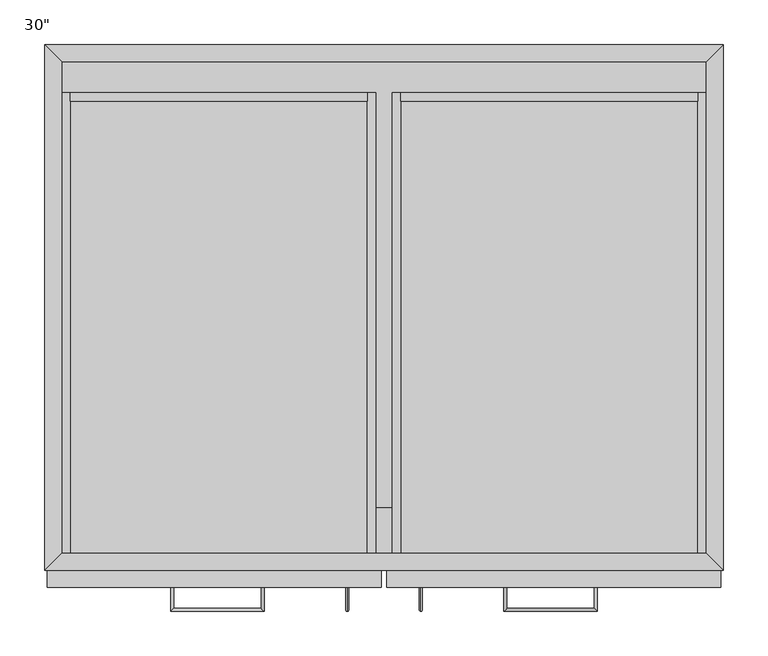
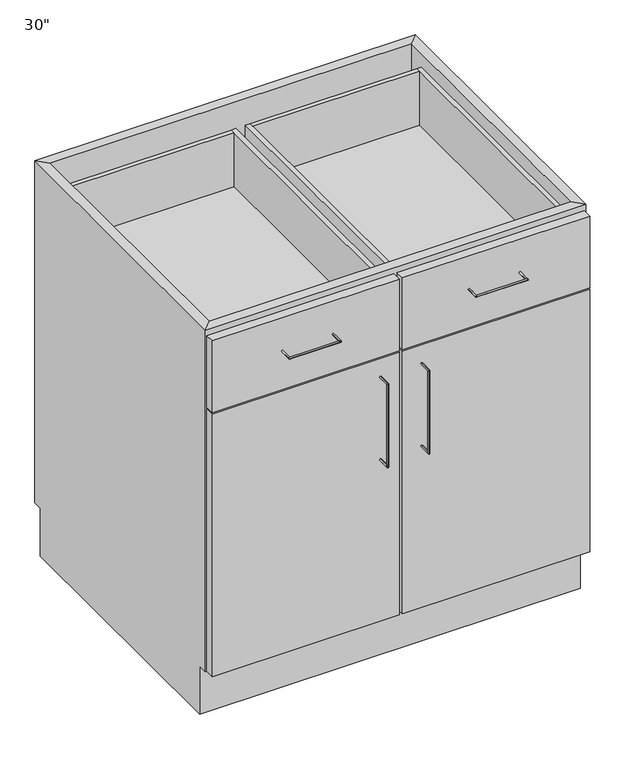
"""IFC4 building model written with IfcOpenShell, lengths in millimetres: furniture geometry."""

from ifc_helpers import new_model, si_unit, frame, origin, place, context, project, spatial, polyline, circle_curve, ellipse_curve, outline, extrude, faceted_brep, source, transform, mapped, element, save
from ifc_brep_helpers import plane_surface, cylinder_surface, advanced_brep


def furniture_37b471c9(model_context):
    return source(origin(), model_context, "Body", "SolidModel", [
        extrude(outline(polyline([(-343.2122951, -520.7), (380.6877049, -520.7), (380.6877049, -571.5), (-343.2122951, -571.5), (-343.2122951, -520.7)])), frame((0.0, 0.0, 654.05), z_axis=(0.0, 0.0, 1.0), x_axis=(1.0, 0.0, 0.0)), (0.0, 0.0, 1.0), 19.05),
        extrude(outline(polyline([(380.6877049, -19.05), (380.6877049, -571.5), (-343.2122951, -571.5), (-343.2122951, -19.05), (380.6877049, -19.05)])), frame((0.0, 0.0, 101.6), z_axis=(0.0, 0.0, 1.0), x_axis=(1.0, 0.0, 0.0)), (0.0, 0.0, 1.0), 19.05),
        extrude(outline(polyline([(15.5627049, -609.6), (-359.0872951, -609.6), (-359.0872951, -590.55), (15.5627049, -590.55), (15.5627049, -609.6)])), frame((0.0, 0.0, 660.4), z_axis=(0.0, 0.0, 1.0), x_axis=(1.0, 0.0, 0.0)), (0.0, 0.0, 1.0), 152.4),
        extrude(outline(polyline([(396.5627049, -609.6), (21.9127049, -609.6), (21.9127049, -590.55), (396.5627049, -590.55), (396.5627049, -609.6)])), frame((0.0, 0.0, 660.4), z_axis=(0.0, 0.0, 1.0), x_axis=(1.0, 0.0, 0.0)), (0.0, 0.0, 1.0), 152.4),
        extrude(outline(polyline([(15.5627049, -609.6), (-359.0872951, -609.6), (-359.0872951, -590.55), (15.5627049, -590.55), (15.5627049, -609.6)])), frame((0.0, 0.0, 101.6), z_axis=(0.0, 0.0, 1.0), x_axis=(1.0, 0.0, 0.0)), (0.0, 0.0, 1.0), 555.625),
        extrude(outline(polyline([(396.5627049, -609.6), (21.9127049, -609.6), (21.9127049, -590.55), (396.5627049, -590.55), (396.5627049, -609.6)])), frame((0.0, 0.0, 101.6), z_axis=(0.0, 0.0, 1.0), x_axis=(1.0, 0.0, 0.0)), (0.0, 0.0, 1.0), 555.625),
        advanced_brep(
        [(-118.9787451, -609.6, 742.7699324), (-115.8037451, -609.6, 742.7699324), (-118.9787451, -633.4125, 742.7699324), (-115.8037451, -636.5875, 742.7699324), (-217.4037451, -633.4125, 742.7699324), (-220.5787451, -636.5875, 742.7699324), (-217.4037451, -609.6, 742.7699324), (-220.5787451, -609.6, 742.7699324)],
        [
            (0, 1, circle_curve(frame((-117.3912451, -609.6, 742.7699324), z_axis=(0.0, 1.0, 0.0), x_axis=(1.0, 0.0, 0.0)), 1.5875)),
            (1, 0, circle_curve(frame((-117.3912451, -609.6, 742.7699324), z_axis=(0.0, 1.0, 0.0), x_axis=(1.0, 0.0, 0.0)), 1.5875)),
            (0, 2),
            (2, 3, ellipse_curve(frame((-117.3912451, -635.0, 742.7699324), z_axis=(0.7071067811865475, 0.7071067811865475, 0.0), x_axis=(-0.7071067811865474, 0.7071067811865476, 0.0)), 2.245064, 1.5875)),
            (3, 1),
            (3, 2, ellipse_curve(frame((-117.3912451, -635.0, 742.7699324), z_axis=(0.7071067811865475, 0.7071067811865475, 0.0), x_axis=(-0.7071067811865474, 0.7071067811865476, 0.0)), 2.245064, 1.5875)),
            (2, 4),
            (4, 5, ellipse_curve(frame((-218.9912451, -635.0, 742.7699324), z_axis=(0.7071067811865475, -0.7071067811865475, 0.0), x_axis=(0.7071067811865476, 0.7071067811865474, 0.0)), 2.245064, 1.5875)),
            (5, 3),
            (5, 4, ellipse_curve(frame((-218.9912451, -635.0, 742.7699324), z_axis=(0.7071067811865475, -0.7071067811865475, 0.0), x_axis=(0.7071067811865476, 0.7071067811865474, 0.0)), 2.245064, 1.5875)),
            (6, 7, circle_curve(frame((-218.9912451, -609.6, 742.7699324), z_axis=(0.0, 1.0, 0.0), x_axis=(-1.0, 0.0, 0.0)), 1.5875)),
            (7, 6, circle_curve(frame((-218.9912451, -609.6, 742.7699324), z_axis=(0.0, 1.0, 0.0), x_axis=(-1.0, 0.0, 0.0)), 1.5875)),
            (4, 6),
            (7, 5),
        ],
        [
            plane_surface(frame((-117.3912451, -609.6, 742.7699324), z_axis=(0.0, 1.0, 0.0), x_axis=(0.0, 0.0, 1.0))),
            cylinder_surface(frame((-117.3912451, -609.6, 742.7699324), z_axis=(0.0, 1.0, 0.0), x_axis=(1.0, 0.0, 0.0)), 1.5875),
            cylinder_surface(frame((-117.3912451, -635.0, 742.7699324), z_axis=(1.0, 0.0, 0.0), x_axis=(0.0, -1.0, 0.0)), 1.5875),
            plane_surface(frame((-218.9912451, -609.6, 742.7699324), z_axis=(0.0, 1.0, 0.0), x_axis=(0.0, 0.0, 1.0))),
            cylinder_surface(frame((-218.9912451, -635.0, 742.7699324), z_axis=(0.0, -1.0, 0.0), x_axis=(-1.0, 0.0, 0.0)), 1.5875),
        ],
        [
            (0, [[1, 2]]),
            (1, [[-1, 3, 4, 5]]),
            (1, [[-2, -5, 6, -3]]),
            (2, [[-4, 7, 8, 9]]),
            (2, [[-6, -9, 10, -7]]),
            (3, [[11, 12]]),
            (4, [[-8, 13, -12, 14]]),
            (4, [[-10, -14, -11, -13]]),
        ],
    ),
        advanced_brep(
        [(153.2791549, -609.6, 742.7699324), (156.4541549, -609.6, 742.7699324), (153.2791549, -636.5875, 742.7699324), (156.4541549, -633.4125, 742.7699324), (258.0541549, -636.5875, 742.7699324), (254.8791549, -633.4125, 742.7699324), (258.0541549, -609.6, 742.7699324), (254.8791549, -609.6, 742.7699324)],
        [
            (0, 1, circle_curve(frame((154.8666549, -609.6, 742.7699324), z_axis=(0.0, 1.0, 0.0), x_axis=(1.0, 0.0, 0.0)), 1.5875)),
            (1, 0, circle_curve(frame((154.8666549, -609.6, 742.7699324), z_axis=(0.0, 1.0, 0.0), x_axis=(1.0, 0.0, 0.0)), 1.5875)),
            (0, 2),
            (2, 3, ellipse_curve(frame((154.8666549, -635.0, 742.7699324), z_axis=(-0.7071067811865475, 0.7071067811865475, 0.0), x_axis=(0.7071067811865474, 0.7071067811865476, 0.0)), 2.245064, 1.5875)),
            (3, 1),
            (3, 2, ellipse_curve(frame((154.8666549, -635.0, 742.7699324), z_axis=(-0.7071067811865475, 0.7071067811865475, 0.0), x_axis=(0.7071067811865474, 0.7071067811865476, 0.0)), 2.245064, 1.5875)),
            (2, 4),
            (4, 5, ellipse_curve(frame((256.4666549, -635.0, 742.7699324), z_axis=(-0.7071067811865475, -0.7071067811865475, 0.0), x_axis=(-0.7071067811865476, 0.7071067811865474, 0.0)), 2.245064, 1.5875)),
            (5, 3),
            (5, 4, ellipse_curve(frame((256.4666549, -635.0, 742.7699324), z_axis=(-0.7071067811865475, -0.7071067811865475, 0.0), x_axis=(-0.7071067811865476, 0.7071067811865474, 0.0)), 2.245064, 1.5875)),
            (6, 7, circle_curve(frame((256.4666549, -609.6, 742.7699324), z_axis=(0.0, 1.0, 0.0), x_axis=(-1.0, 0.0, 0.0)), 1.5875)),
            (7, 6, circle_curve(frame((256.4666549, -609.6, 742.7699324), z_axis=(0.0, 1.0, 0.0), x_axis=(-1.0, 0.0, 0.0)), 1.5875)),
            (4, 6),
            (7, 5),
        ],
        [
            plane_surface(frame((154.8666549, -609.6, 742.7699324), z_axis=(0.0, 1.0, 0.0), x_axis=(0.0, 0.0, 1.0))),
            cylinder_surface(frame((154.8666549, -609.6, 742.7699324), z_axis=(0.0, 1.0, 0.0), x_axis=(1.0, 0.0, 0.0)), 1.5875),
            cylinder_surface(frame((154.8666549, -635.0, 742.7699324), z_axis=(-1.0, 0.0, 0.0), x_axis=(0.0, 1.0, 0.0)), 1.5875),
            plane_surface(frame((256.4666549, -609.6, 742.7699324), z_axis=(0.0, 1.0, 0.0), x_axis=(0.0, 0.0, 1.0))),
            cylinder_surface(frame((256.4666549, -635.0, 742.7699324), z_axis=(0.0, -1.0, 0.0), x_axis=(-1.0, 0.0, 0.0)), 1.5875),
        ],
        [
            (0, [[1, 2]]),
            (1, [[-1, 3, 4, 5]]),
            (1, [[-2, -5, 6, -3]]),
            (2, [[-4, 7, 8, 9]]),
            (2, [[-6, -9, 10, -7]]),
            (3, [[11, 12]]),
            (4, [[-8, 13, -12, 14]]),
            (4, [[-10, -14, -11, -13]]),
        ],
    ),
        advanced_brep(
        [(-22.5139911, -609.6, 617.5375), (-22.5139911, -609.6, 620.7125), (-22.5139911, -633.4125, 617.5375), (-22.5139911, -636.5875, 620.7125), (-22.5139911, -633.4125, 446.0875), (-22.5139911, -636.5875, 442.9125), (-22.5139911, -609.6, 446.0875), (-22.5139911, -609.6, 442.9125)],
        [
            (0, 1, circle_curve(frame((-22.5139911, -609.6, 619.125), z_axis=(0.0, 1.0, 0.0), x_axis=(0.0, 0.0, 1.0)), 1.5875)),
            (1, 0, circle_curve(frame((-22.5139911, -609.6, 619.125), z_axis=(0.0, 1.0, 0.0), x_axis=(0.0, 0.0, 1.0)), 1.5875)),
            (0, 2),
            (2, 3, ellipse_curve(frame((-22.5139911, -635.0, 619.125), z_axis=(0.0, 0.7071067811865475, 0.7071067811865475), x_axis=(0.0, 0.7071067811865476, -0.7071067811865474)), 2.245064, 1.5875)),
            (3, 1),
            (3, 2, ellipse_curve(frame((-22.5139911, -635.0, 619.125), z_axis=(0.0, 0.7071067811865475, 0.7071067811865475), x_axis=(0.0, 0.7071067811865476, -0.7071067811865474)), 2.245064, 1.5875)),
            (2, 4),
            (4, 5, ellipse_curve(frame((-22.5139911, -635.0, 444.5), z_axis=(0.0, -0.7071067811865475, 0.7071067811865475), x_axis=(0.0, 0.7071067811865474, 0.7071067811865476)), 2.245064, 1.5875)),
            (5, 3),
            (5, 4, ellipse_curve(frame((-22.5139911, -635.0, 444.5), z_axis=(0.0, -0.7071067811865475, 0.7071067811865475), x_axis=(0.0, 0.7071067811865474, 0.7071067811865476)), 2.245064, 1.5875)),
            (6, 7, circle_curve(frame((-22.5139911, -609.6, 444.5), z_axis=(0.0, 1.0, 0.0), x_axis=(0.0, 0.0, -1.0)), 1.5875)),
            (7, 6, circle_curve(frame((-22.5139911, -609.6, 444.5), z_axis=(0.0, 1.0, 0.0), x_axis=(0.0, 0.0, -1.0)), 1.5875)),
            (4, 6),
            (7, 5),
        ],
        [
            plane_surface(frame((-22.5139911, -609.6, 619.125), z_axis=(0.0, 1.0, 0.0), x_axis=(-1.0, 0.0, 0.0))),
            cylinder_surface(frame((-22.5139911, -609.6, 619.125), z_axis=(0.0, 1.0, 0.0), x_axis=(0.0, 0.0, 1.0)), 1.5875),
            cylinder_surface(frame((-22.5139911, -635.0, 619.125), z_axis=(0.0, 0.0, 1.0), x_axis=(0.0, -1.0, 0.0)), 1.5875),
            plane_surface(frame((-22.5139911, -609.6, 444.5), z_axis=(0.0, 1.0, 0.0), x_axis=(-1.0, 0.0, 0.0))),
            cylinder_surface(frame((-22.5139911, -635.0, 444.5), z_axis=(0.0, -1.0, 0.0), x_axis=(0.0, 0.0, -1.0)), 1.5875),
        ],
        [
            (0, [[1, 2]]),
            (1, [[-1, 3, 4, 5]]),
            (1, [[-2, -5, 6, -3]]),
            (2, [[-4, 7, 8, 9]]),
            (2, [[-6, -9, 10, -7]]),
            (3, [[11, 12]]),
            (4, [[-8, 13, -12, 14]]),
            (4, [[-10, -14, -11, -13]]),
        ],
    ),
        advanced_brep(
        [(59.9894009, -609.6, 620.7125), (59.9894009, -609.6, 617.5375), (59.9894009, -636.5875, 620.7125), (59.9894009, -633.4125, 617.5375), (59.9894009, -636.5875, 442.9125), (59.9894009, -633.4125, 446.0875), (59.9894009, -609.6, 442.9125), (59.9894009, -609.6, 446.0875)],
        [
            (0, 1, circle_curve(frame((59.9894009, -609.6, 619.125), z_axis=(0.0, 1.0, 0.0), x_axis=(0.0, 0.0, -1.0)), 1.5875)),
            (1, 0, circle_curve(frame((59.9894009, -609.6, 619.125), z_axis=(0.0, 1.0, 0.0), x_axis=(0.0, 0.0, -1.0)), 1.5875)),
            (0, 2),
            (2, 3, ellipse_curve(frame((59.9894009, -635.0, 619.125), z_axis=(0.0, 0.7071067811865475, 0.7071067811865475), x_axis=(0.0, 0.7071067811865476, -0.7071067811865474)), 2.245064, 1.5875)),
            (3, 1),
            (3, 2, ellipse_curve(frame((59.9894009, -635.0, 619.125), z_axis=(0.0, 0.7071067811865475, 0.7071067811865475), x_axis=(0.0, 0.7071067811865476, -0.7071067811865474)), 2.245064, 1.5875)),
            (2, 4),
            (4, 5, ellipse_curve(frame((59.9894009, -635.0, 444.5), z_axis=(0.0, -0.7071067811865475, 0.7071067811865475), x_axis=(0.0, 0.7071067811865474, 0.7071067811865476)), 2.245064, 1.5875)),
            (5, 3),
            (5, 4, ellipse_curve(frame((59.9894009, -635.0, 444.5), z_axis=(0.0, -0.7071067811865475, 0.7071067811865475), x_axis=(0.0, 0.7071067811865474, 0.7071067811865476)), 2.245064, 1.5875)),
            (6, 7, circle_curve(frame((59.9894009, -609.6, 444.5), z_axis=(0.0, 1.0, 0.0), x_axis=(0.0, 0.0, 1.0)), 1.5875)),
            (7, 6, circle_curve(frame((59.9894009, -609.6, 444.5), z_axis=(0.0, 1.0, 0.0), x_axis=(0.0, 0.0, 1.0)), 1.5875)),
            (4, 6),
            (7, 5),
        ],
        [
            plane_surface(frame((59.9894009, -609.6, 619.125), z_axis=(0.0, 1.0, 0.0), x_axis=(1.0, 0.0, 0.0))),
            cylinder_surface(frame((59.9894009, -609.6, 619.125), z_axis=(0.0, 1.0, 0.0), x_axis=(0.0, 0.0, -1.0)), 1.5875),
            cylinder_surface(frame((59.9894009, -635.0, 619.125), z_axis=(0.0, 0.0, 1.0), x_axis=(0.0, 1.0, 0.0)), 1.5875),
            plane_surface(frame((59.9894009, -609.6, 444.5), z_axis=(0.0, 1.0, 0.0), x_axis=(1.0, 0.0, 0.0))),
            cylinder_surface(frame((59.9894009, -635.0, 444.5), z_axis=(0.0, -1.0, 0.0), x_axis=(0.0, 0.0, 1.0)), 1.5875),
        ],
        [
            (0, [[1, 2]]),
            (1, [[-1, 3, 4, 5]]),
            (1, [[-2, -5, 6, -3]]),
            (2, [[-4, 7, 8, 9]]),
            (2, [[-6, -9, 10, -7]]),
            (3, [[11, 12]]),
            (4, [[-8, 13, -12, 14]]),
            (4, [[-10, -14, -11, -13]]),
        ],
    ),
        faceted_brep([(380.6877049, -571.5, 101.6), (-343.2122951, -571.5, 101.6), (-343.2122951, -571.5, 120.65), (9.2127049, -571.5, 120.65), (9.2127049, -571.5, 650.875), (-343.2122951, -571.5, 650.875), (-343.2122951, -571.5, 666.75), (9.2127049, -571.5, 666.75), (9.2127049, -571.5, 806.45), (-343.2122951, -571.5, 806.45), (-343.2122951, -571.5, 825.5), (380.6877049, -571.5, 825.5), (380.6877049, -571.5, 806.45), (28.2627049, -571.5, 806.45), (28.2627049, -571.5, 666.75), (380.6877049, -571.5, 666.75), (380.6877049, -571.5, 650.875), (28.2627049, -571.5, 650.875), (28.2627049, -571.5, 120.65), (380.6877049, -571.5, 120.65), (-362.2622951, -590.55, 825.5), (399.7377049, -590.55, 825.5), (-362.2622951, -590.55, 101.6), (399.7377049, -590.55, 101.6), (28.2627049, -590.55, 666.75), (28.2627049, -590.55, 806.45), (380.6877049, -590.55, 806.45), (380.6877049, -590.55, 666.75), (-343.2122951, -590.55, 666.75), (-343.2122951, -590.55, 806.45), (9.2127049, -590.55, 806.45), (9.2127049, -590.55, 666.75), (28.2627049, -590.55, 120.65), (28.2627049, -590.55, 650.875), (380.6877049, -590.55, 650.875), (380.6877049, -590.55, 120.65), (-343.2122951, -590.55, 120.65), (-343.2122951, -590.55, 650.875), (9.2127049, -590.55, 650.875), (9.2127049, -590.55, 120.65), (-343.2122951, -19.05, 101.6), (-343.2122951, -19.05, 825.5), (-362.2622951, 0.0, 825.5), (-362.2622951, 0.0, 101.6), (-362.2622951, -19.05, 101.6), (-362.2622951, -19.05, 0.0), (-362.2622951, -571.5, 0.0), (-362.2622951, -571.5, 101.6), (380.6877049, -19.05, 101.6), (380.6877049, -19.05, 825.5), (399.7377049, 0.0, 825.5), (399.7377049, 0.0, 101.6), (399.7377049, -571.5, 101.6), (399.7377049, -571.5, 0.0), (399.7377049, -19.05, 0.0), (399.7377049, -19.05, 101.6)], [[[0, 1, 2, 3, 4, 5, 6, 7, 8, 9, 10, 11, 12, 13, 14, 15, 16, 17, 18, 19]], [[11, 10, 20, 21]], [[21, 20, 22, 23], [24, 25, 26, 27], [28, 29, 30, 31], [32, 33, 34, 35], [36, 37, 38, 39]], [[1, 0, 23, 22]], [[40, 41, 10, 9, 29, 28, 6, 5, 37, 36, 2, 1]], [[20, 10, 41, 42]], [[22, 20, 42, 43, 44, 45, 46, 47]], [[1, 22, 47]], [[43, 40, 44]], [[41, 40, 48, 49]], [[42, 41, 49, 50]], [[43, 42, 50, 51]], [[40, 43, 51, 48]], [[49, 48, 0, 19, 35, 34, 16, 15, 27, 26, 12, 11]], [[11, 21, 50, 49]], [[21, 23, 52, 53, 54, 55, 51, 50]], [[23, 0, 52]], [[48, 51, 55]], [[1, 0, 48, 40]], [[54, 53, 46, 45]], [[54, 45, 44, 40, 48, 55]], [[46, 53, 52, 0, 1, 47]], [[24, 14, 13, 25]], [[14, 24, 27, 15]], [[25, 13, 12, 26]], [[6, 28, 31, 7]], [[7, 31, 30, 8]], [[29, 9, 8, 30]], [[32, 18, 17, 33]], [[18, 32, 35, 19]], [[33, 17, 16, 34]], [[2, 36, 39, 3]], [[3, 39, 38, 4]], [[37, 5, 4, 38]]]),
        extrude(outline(polyline([(380.6877049, -19.05), (380.6877049, -587.375), (-343.2122951, -587.375), (-343.2122951, -19.05), (380.6877049, -19.05)])), frame((0.0, 0.0, 477.8037229), z_axis=(0.0, 0.0, 1.0), x_axis=(1.0, 0.0, 0.0)), (0.0, 0.0, 1.0), 19.05),
        extrude(outline(polyline([(380.6877049, -19.05), (380.6877049, -587.375), (-343.2122951, -587.375), (-343.2122951, -19.05), (380.6877049, -19.05)])), frame((0.0, 0.0, 300.0037229), z_axis=(0.0, 0.0, 1.0), x_axis=(1.0, 0.0, 0.0)), (0.0, 0.0, 1.0), 19.05),
        extrude(outline(polyline([(371.1627049, -53.975), (371.1627049, -63.5), (37.7877049, -63.5), (37.7877049, -53.975), (371.1627049, -53.975)])), frame((0.0, 0.0, 682.625), z_axis=(0.0, 0.0, 1.0), x_axis=(1.0, 0.0, 0.0)), (0.0, 0.0, 1.0), 114.3),
        extrude(outline(polyline([(-0.3122951, -53.975), (-0.3122951, -63.5), (-333.6872951, -63.5), (-333.6872951, -53.975), (-0.3122951, -53.975)])), frame((0.0, 0.0, 682.625), z_axis=(0.0, 0.0, 1.0), x_axis=(1.0, 0.0, 0.0)), (0.0, 0.0, 1.0), 114.3),
        extrude(outline(polyline([(673.1, 28.2627049), (673.1, 380.6877049), (796.925, 380.6877049), (796.925, 371.1627049), (682.625, 371.1627049), (682.625, 37.7877049), (796.925, 37.7877049), (796.925, 28.2627049), (673.1, 28.2627049)])), frame((0.0, -590.55, 0.0), z_axis=(0.0, 1.0, 0.0), x_axis=(0.0, 0.0, 1.0)), (0.0, 0.0, 1.0), 536.575),
        extrude(outline(polyline([(673.1, -343.2122951), (673.1, 9.2127049), (796.925, 9.2127049), (796.925, -0.3122951), (682.625, -0.3122951), (682.625, -333.6872951), (796.925, -333.6872951), (796.925, -343.2122951), (673.1, -343.2122951)])), frame((0.0, -590.55, 0.0), z_axis=(0.0, 1.0, 0.0), x_axis=(0.0, 0.0, 1.0)), (0.0, 0.0, 1.0), 536.575),
    ])


if __name__ == "__main__":
    model = new_model("IFC4")
    model_context = context("Model", 3, world=origin())
    ifc_project = project(units=[si_unit("LENGTHUNIT", "METRE", prefix="MILLI")], contexts=[model_context])
    site = spatial("IfcSite", under=ifc_project)
    building = spatial("IfcBuilding", under=site)
    placement = place(None, origin())
    furniture_shape = furniture_37b471c9(model_context)
    element("IfcFurniture", 1, ObjectType="30\"", at=placement, inside=building, context=model_context, shape_type="MappedRepresentation", body=[
        mapped(furniture_shape, transform((0.0, 0.0, 0.0), x_axis=(1.0, 0.0, 0.0), y_axis=(0.0, 1.0, 0.0), z_axis=(0.0, 0.0, 1.0))),
    ])
    save(model, "model.ifc")
